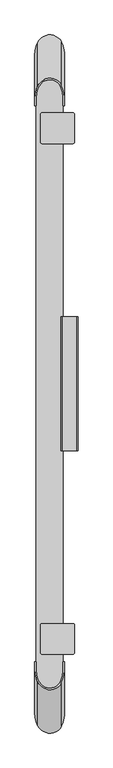
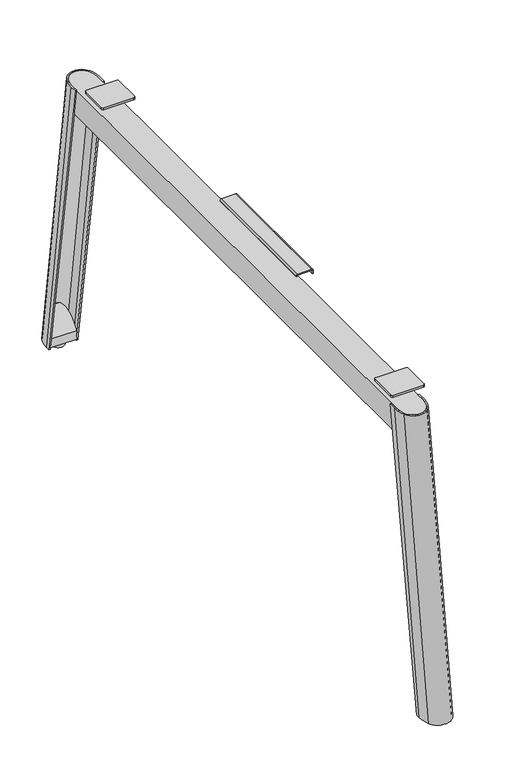
"""IFC4 building model written with IfcOpenShell, lengths in millimetres: furniture geometry."""

import ifcopenshell
import ifcopenshell.guid

model = None  # the IFC model being written
_history = None  # IfcOwnerHistory: only IFC2X3 demands one
_inside = {}  # id of a spatial element -> (the spatial element, [elements in it])
_under = {}  # id of a project, library or spatial element -> (it, [spatial elements below it])
_declared = {}  # id of a project -> (the project, [libraries it declares])
_typed = {}  # id of a type object -> (the type object, [elements of that type])
_made_of = {}  # id of a material, layer set ... -> (it, [elements and type objects made of it])


def new_model(schema):
    """Start an empty IFC model of exactly this schema.

    Asked for "IFC4X3", IfcOpenShell would pick the latest addendum, in which some entities
    have other attributes; the version numbers below select the first issue.
    IFC2X3 requires an IfcOwnerHistory on every rooted entity: one is made here for all.
    """
    global model, _history
    if schema == "IFC4X3":
        model = ifcopenshell.file(schema_version=(4, 3, 0, 0))
    else:
        model = ifcopenshell.file(schema=schema)
    _inside.clear()
    _under.clear()
    _declared.clear()
    _typed.clear()
    _made_of.clear()
    _history = None
    if model.schema == "IFC2X3":
        org = make("IfcOrganization", Name="unknown")
        user = make(
            "IfcPersonAndOrganization",
            ThePerson=make("IfcPerson", FamilyName="unknown"),
            TheOrganization=org,
        )
        app = make(
            "IfcApplication",
            ApplicationDeveloper=org,
            Version="unknown",
            ApplicationFullName="unknown",
            ApplicationIdentifier="unknown",
        )
        _history = make(
            "IfcOwnerHistory",
            OwningUser=user,
            OwningApplication=app,
            ChangeAction="ADDED",
            CreationDate=0,
        )
    return model


def make(cls, **values):
    """One entity of the class cls with the attributes given. An attribute that is None is left unset."""
    return model.create_entity(
        cls, **{name: value for name, value in values.items() if value is not None}
    )


def rooted(cls, **values):
    """An entity with a GlobalId (a new one), such as an element, a storey or a relation."""
    return make(cls, GlobalId=ifcopenshell.guid.new(), OwnerHistory=_history, **values)


def si_unit(unit_type, name, prefix=None):
    """IfcSIUnit, for example si_unit("LENGTHUNIT", "METRE", prefix="MILLI")."""
    return make("IfcSIUnit", UnitType=unit_type, Prefix=prefix, Name=name)


def assignment(units):
    """IfcUnitAssignment: the units of a project."""
    return None if units is None else make("IfcUnitAssignment", Units=units)


def point(xyz):
    """IfcCartesianPoint."""
    return None if xyz is None else make("IfcCartesianPoint", Coordinates=xyz)


def direction(xyz):
    """IfcDirection."""
    return None if xyz is None else make("IfcDirection", DirectionRatios=xyz)


def frame(location, z_axis=None, x_axis=None):
    """IfcAxis2Placement3D, a coordinate frame: its origin and axes. An axis left out is left unset."""
    return make(
        "IfcAxis2Placement3D",
        Location=point(location),
        Axis=direction(z_axis),
        RefDirection=direction(x_axis),
    )


def frame_2d(location, x_axis=None):
    """IfcAxis2Placement2D, a coordinate frame in the plane: its origin and x axis."""
    return make(
        "IfcAxis2Placement2D", Location=point(location), RefDirection=direction(x_axis)
    )


def origin():
    """The frame at (0, 0, 0) with its axes left unset."""
    return frame((0.0, 0.0, 0.0))


def place(relative_to, where):
    """IfcLocalPlacement: puts the frame where relative to a parent placement (None: the world)."""
    return make(
        "IfcLocalPlacement", PlacementRelTo=relative_to, RelativePlacement=where
    )


def context(
    kind, dimensions, precision=None, world=None, true_north=None, identifier=None
):
    """IfcGeometricRepresentationContext, for example the 3D "Model" context."""
    return make(
        "IfcGeometricRepresentationContext",
        ContextIdentifier=identifier,
        ContextType=kind,
        CoordinateSpaceDimension=dimensions,
        Precision=precision,
        WorldCoordinateSystem=world,
        TrueNorth=true_north,
    )


def project(units=None, contexts=None):
    """IfcProject with its units and contexts."""
    return rooted(
        "IfcProject",
        Name="project",
        RepresentationContexts=contexts,
        UnitsInContext=assignment(units),
    )


def spatial(cls, under=None, at=None, **own):
    """A site, building, storey or space (cls), placed at a placement, below another one or the project."""
    s = rooted(cls, ObjectPlacement=at, **own)
    if under is not None:
        _under.setdefault(under.id(), (under, []))[1].append(s)
    return s


def polyline(points):
    """IfcPolyline through the points."""
    return make("IfcPolyline", Points=[point(p) for p in points])


def circle_curve(where, radius):
    """IfcCircle in the frame where."""
    return make("IfcCircle", Position=where, Radius=radius)


def ellipse_curve(where, semi_axis1, semi_axis2):
    """IfcEllipse in the frame where."""
    return make(
        "IfcEllipse", Position=where, SemiAxis1=semi_axis1, SemiAxis2=semi_axis2
    )


def trimmed(basis, trim1, trim2, sense, master):
    """IfcTrimmedCurve: the piece of a basis curve between two trims."""
    return make(
        "IfcTrimmedCurve",
        BasisCurve=basis,
        Trim1=trim1,
        Trim2=trim2,
        SenseAgreement=sense,
        MasterRepresentation=master,
    )


def segment(curve, same_sense, transition):
    """IfcCompositeCurveSegment."""
    return make(
        "IfcCompositeCurveSegment",
        Transition=transition,
        SameSense=same_sense,
        ParentCurve=curve,
    )


def composite_curve(segments, self_intersect=None):
    """IfcCompositeCurve: segments joined end to end."""
    return make("IfcCompositeCurve", Segments=segments, SelfIntersect=self_intersect)


def outline(outer, holes=None, kind="AREA"):
    """IfcArbitraryClosedProfileDef: a profile drawn as a closed curve; with holes, ...WithVoids."""
    if holes is None:
        return make("IfcArbitraryClosedProfileDef", ProfileType=kind, OuterCurve=outer)
    return make(
        "IfcArbitraryProfileDefWithVoids",
        ProfileType=kind,
        OuterCurve=outer,
        InnerCurves=holes,
    )


def extrude(swept, where, along, depth):
    """IfcExtrudedAreaSolid: the profile swept, set in the frame where, extruded along a direction by depth."""
    return make(
        "IfcExtrudedAreaSolid",
        SweptArea=swept,
        Position=where,
        ExtrudedDirection=direction(along),
        Depth=depth,
    )


def shape(context_of_items, identifier, shape_type, items):
    """IfcShapeRepresentation: the items that make up one representation, for example the "Body"."""
    return make(
        "IfcShapeRepresentation",
        ContextOfItems=context_of_items,
        RepresentationIdentifier=identifier,
        RepresentationType=shape_type,
        Items=items,
    )


def source(mapping_origin, context_of_items, identifier, shape_type, items):
    """IfcRepresentationMap: a shape defined once, which mapped items show again and again."""
    return make(
        "IfcRepresentationMap",
        MappingOrigin=mapping_origin,
        MappedRepresentation=shape(context_of_items, identifier, shape_type, items),
    )


def transform(
    local_origin,
    x_axis=None,
    y_axis=None,
    z_axis=None,
    scale=None,
    scale2=None,
    scale3=None,
    uniform=True,
):
    """IfcCartesianTransformationOperator3D, or its non-uniform kind. x_axis, y_axis, z_axis: its Axis1, 2, 3."""
    if uniform:
        return make(
            "IfcCartesianTransformationOperator3D",
            Axis1=direction(x_axis),
            Axis2=direction(y_axis),
            LocalOrigin=point(local_origin),
            Scale=scale,
            Axis3=direction(z_axis),
        )
    return make(
        "IfcCartesianTransformationOperator3DnonUniform",
        Axis1=direction(x_axis),
        Axis2=direction(y_axis),
        LocalOrigin=point(local_origin),
        Scale=scale,
        Axis3=direction(z_axis),
        Scale2=scale2,
        Scale3=scale3,
    )


def mapped(mapping_source, mapping_target):
    """IfcMappedItem: shows the shape of a source again, moved by a transform."""
    return make(
        "IfcMappedItem", MappingSource=mapping_source, MappingTarget=mapping_target
    )


def made_of(thing, what):
    """Note that an element or type object is made of a material, layer set ...; save() writes the relation."""
    if what is not None:
        _made_of.setdefault(what.id(), (what, []))[1].append(thing)
    return thing


def element(
    cls,
    number,
    at=None,
    inside=None,
    cuts=None,
    type_object=None,
    material=None,
    context=None,
    identifier="Body",
    shape_type=None,
    held_by="IfcProductDefinitionShape",
    body=None,
    shapes=None,
    **own,
):
    """One element of the class cls, such as IfcWall. Its Tag is "e" and its number.

    at: its placement. inside: the storey or other place that contains it. cuts: it is an
    opening in that element (IfcRelVoidsElement). A single representation is given by context,
    identifier, shape_type and body (its items); several are given by shapes. held_by: the class
    of the entity that holds the representations. save() writes the other relations.
    """
    e = rooted(cls, Tag="e%d" % number, ObjectPlacement=at, **own)
    if body is not None:
        shapes = [shape(context, identifier, shape_type, body)]
    if shapes is not None:
        e.Representation = make(held_by, Representations=shapes)
    if inside is not None:
        _inside.setdefault(inside.id(), (inside, []))[1].append(e)
    if cuts is not None:
        rooted(
            "IfcRelVoidsElement", RelatingBuildingElement=cuts, RelatedOpeningElement=e
        )
    if type_object is not None:
        _typed.setdefault(type_object.id(), (type_object, []))[1].append(e)
    return made_of(e, material)


def aggregate(whole, parts):
    """IfcRelAggregates: a whole, such as a stair, and the parts it consists of."""
    return rooted("IfcRelAggregates", RelatingObject=whole, RelatedObjects=parts)


def save(model, path):
    """Write the relations noted so far, then the file.

    IfcRelAggregates (storeys below a building ...), IfcRelContainedInSpatialStructure (elements
    in a storey), IfcRelDefinesByType, IfcRelAssociatesMaterial and IfcRelDeclares: one each for
    every whole, place, type object, material and project.
    """
    for whole, parts in _under.values():
        aggregate(whole, parts)
    for where, things in _inside.values():
        rooted(
            "IfcRelContainedInSpatialStructure",
            RelatedElements=things,
            RelatingStructure=where,
        )
    for kind, things in _typed.values():
        rooted("IfcRelDefinesByType", RelatedObjects=things, RelatingType=kind)
    for what, things in _made_of.values():
        rooted("IfcRelAssociatesMaterial", RelatedObjects=things, RelatingMaterial=what)
    for by, libraries in _declared.values():
        rooted("IfcRelDeclares", RelatingContext=by, RelatedDefinitions=libraries)
    model.write(path)


def plane_surface(at):
    """IfcPlane: the flat surface through the origin of the frame at, square to its z axis."""
    return make("IfcPlane", Position=at)


def cylinder_surface(at, radius):
    """IfcCylindricalSurface: all points at the distance radius from the z axis of the frame at."""
    return make("IfcCylindricalSurface", Position=at, Radius=radius)


def extruded_surface(curve, direction_of_extrusion, depth):
    """IfcSurfaceOfLinearExtrusion: the curve pushed along a direction by depth."""
    return make(
        "IfcSurfaceOfLinearExtrusion",
        SweptCurve=make("IfcArbitraryOpenProfileDef", ProfileType="CURVE", Curve=curve),
        ExtrudedDirection=direction(direction_of_extrusion),
        Depth=depth,
    )


def advanced_brep(points, edges, surfaces, faces):
    """IfcAdvancedBrep: a solid bounded by faces that lie on surfaces and meet in shared edges.

    An edge is (start, end): straight between two places in points (the first is 0);
    or (start, end, curve); or (start, end, curve, False) where it runs against its curve.
    A face is (place in surfaces, loops), or (place, loops, False) where it looks against
    its surface's normal. A loop lists edges by number (the first is 1), with a minus sign
    where the edge is run from its end to its start. The first loop is the outer one.
    """
    corners = [point(p) for p in points]
    vertices = [make("IfcVertexPoint", VertexGeometry=c) for c in corners]
    made = []
    for start, end, *more in edges:
        made.append(
            make(
                "IfcEdgeCurve",
                EdgeStart=vertices[start],
                EdgeEnd=vertices[end],
                EdgeGeometry=more[0] if more else make("IfcPolyline", Points=[corners[start], corners[end]]),
                SameSense=more[1] if len(more) > 1 else True,
            )
        )
    hull = []
    for where, loops, *sense in faces:
        bounds = []
        for j, loop in enumerate(loops):
            ring = [make("IfcOrientedEdge", EdgeElement=made[abs(k) - 1], Orientation=k > 0) for k in loop]
            bounds.append(
                make(
                    "IfcFaceOuterBound" if j == 0 else "IfcFaceBound",
                    Bound=make("IfcEdgeLoop", EdgeList=ring),
                    Orientation=True,
                )
            )
        hull.append(make("IfcAdvancedFace", Bounds=bounds, FaceSurface=surfaces[where], SameSense=sense[0] if sense else True))
    return make("IfcAdvancedBrep", Outer=make("IfcClosedShell", CfsFaces=hull))


def furniture_0879308c(model_context):
    return source(origin(), model_context, "Body", "SolidModel", [
        advanced_brep(
        [(6.0, -694.5312811, 9.9999392), (9.4999998, -694.5312811, 9.9999392), (9.4999998, -704.4565799, 9.9999392), (13.8271404, -727.926268, 9.9999392), (64.8959051, -728.2377121, 9.9999392), (68.8203133, -707.657064, 9.9999392), (68.8203133, -694.5312811, 9.9999392), (72.000002, -694.5312811, 9.9999392), (72.000002, -707.657064, 9.9999392), (65.9903208, -732.5103717, 9.9999392), (12.3278754, -731.9278157, 9.9999392), (6.0, -704.4565799, 9.9999392), (6.0, -591.0025911, 689.9999617), (6.0, -608.2065799, 689.9999617), (12.3278754, -635.6778157, 689.9999617), (65.9903208, -636.2603717, 689.9999617), (72.000002, -611.407064, 689.9999617), (72.000002, -591.0025911, 689.9999617), (68.8203133, -591.0025911, 689.9999617), (68.8203133, -611.407064, 689.9999617), (64.8959051, -631.9877121, 689.9999617), (13.8271404, -631.676268, 689.9999617), (9.4999998, -608.2065799, 689.9999617), (9.4999998, -591.0025911, 689.9999617)],
        [
            (0, 1),
            (1, 2),
            (2, 3, circle_curve(frame((75.3114051, -704.4565799, 9.9999392), z_axis=(0.0, 0.0, 1.0), x_axis=(1.0, 0.0, 0.0)), 65.8114053)),
            (3, 4, circle_curve(frame((39.4220553, -718.1562126, 9.9999392), z_axis=(0.0, 0.0, 1.0), x_axis=(1.0, 0.0, 0.0)), 27.3962343)),
            (4, 5, circle_curve(frame((12.8928932, -707.657064, 9.9999392), z_axis=(0.0, 0.0, 1.0), x_axis=(1.0, 0.0, 0.0)), 55.9274201)),
            (5, 6),
            (6, 7),
            (7, 8),
            (8, 9, circle_curve(frame((17.6041738, -707.657064, 9.9999392), z_axis=(0.0, 0.0, -1.0), x_axis=(1.0, 0.0, 0.0)), 54.3958282)),
            (9, 10, circle_curve(frame((39.3047374, -718.8034523, 9.9999392), z_axis=(0.0, 0.0, -1.0), x_axis=(1.0, 0.0, 0.0)), 30.0)),
            (10, 11, circle_curve(frame((68.794442, -704.4565799, 9.9999392), z_axis=(0.0, 0.0, -1.0), x_axis=(1.0, 0.0, 0.0)), 62.794442)),
            (11, 0),
            (12, 13),
            (13, 14, circle_curve(frame((68.794442, -608.2065799, 689.9999617), z_axis=(0.0, 0.0, 1.0), x_axis=(1.0, 0.0, 0.0)), 62.794442)),
            (14, 15, circle_curve(frame((39.3047374, -622.5534523, 689.9999617), z_axis=(0.0, 0.0, 1.0), x_axis=(1.0, 0.0, 0.0)), 30.0)),
            (15, 16, circle_curve(frame((17.6041738, -611.407064, 689.9999617), z_axis=(0.0, 0.0, 1.0), x_axis=(1.0, 0.0, 0.0)), 54.3958282)),
            (16, 17),
            (17, 18),
            (18, 19),
            (19, 20, circle_curve(frame((12.8928932, -611.407064, 689.9999617), z_axis=(0.0, 0.0, -1.0), x_axis=(1.0, 0.0, 0.0)), 55.9274201)),
            (20, 21, circle_curve(frame((39.4220553, -621.9062126, 689.9999617), z_axis=(0.0, 0.0, -1.0), x_axis=(1.0, 0.0, 0.0)), 27.3962343)),
            (21, 22, circle_curve(frame((75.3114051, -608.2065799, 689.9999617), z_axis=(0.0, 0.0, -1.0), x_axis=(1.0, 0.0, 0.0)), 65.8114053)),
            (22, 23),
            (23, 12),
            (22, 2),
            (1, 23),
            (21, 3),
            (20, 4),
            (19, 5),
            (18, 6),
            (16, 8),
            (7, 17),
            (15, 9),
            (14, 10),
            (13, 11),
            (12, 0),
        ],
        [
            plane_surface(frame((39.140156, -710.246215, 9.9999392), z_axis=(0.0, 0.0, -1.0), x_axis=(0.0, 1.0, 0.0))),
            plane_surface(frame((39.140156, -611.569985, 689.9999617), z_axis=(0.0, 0.0, 1.0), x_axis=(0.0, 1.0, 0.0))),
            plane_surface(frame((9.4999998, -599.6045855, 689.9999617), z_axis=(1.0, 0.0, 0.0), x_axis=(0.0, 1.0, 0.0))),
            extruded_surface(trimmed(circle_curve(frame((75.3114051, -704.4565799, 9.9999392), z_axis=(0.0, 0.0, -1.0), x_axis=(1.0, 0.0, 0.0)), 65.8114053), [point((13.8271404, -727.926268, 9.9999392))], [point((9.4999998, -704.4565799, 9.9999392))], True, "CARTESIAN"), (0.0, 96.25, 680.0000225), 686.778052284725),
            extruded_surface(trimmed(circle_curve(frame((39.4220553, -718.1562126, 9.9999392), z_axis=(0.0, 0.0, -1.0), x_axis=(1.0, 0.0, 0.0)), 27.3962343), [point((64.8959051, -728.2377121, 9.9999392))], [point((13.8271404, -727.926268, 9.9999392))], True, "CARTESIAN"), (0.0, 96.25, 680.0000225), 686.778052284725),
            extruded_surface(trimmed(circle_curve(frame((12.8928932, -707.657064, 9.9999392), z_axis=(0.0, 0.0, -1.0), x_axis=(1.0, 0.0, 0.0)), 55.9274201), [point((68.8203133, -707.657064, 9.9999392))], [point((64.8959051, -728.2377121, 9.9999392))], True, "CARTESIAN"), (0.0, 96.25, 680.0000225), 686.778052284725),
            plane_surface(frame((68.8203133, -601.2048276, 689.9999617), z_axis=(-1.0, 0.0, 0.0), x_axis=(0.0, -1.0, 0.0))),
            plane_surface(frame((72.000002, -601.2048276, 689.9999617), z_axis=(1.0, 0.0, 0.0), x_axis=(0.0, 1.0, 0.0))),
            extruded_surface(trimmed(circle_curve(frame((17.6041738, -707.657064, 9.9999392), z_axis=(0.0, 0.0, 1.0), x_axis=(1.0, 0.0, 0.0)), 54.3958282), [point((65.9903208, -732.5103717, 9.9999392))], [point((72.000002, -707.657064, 9.9999392))], True, "CARTESIAN"), (0.0, 96.25, 680.0000225), 686.778052284725),
            extruded_surface(trimmed(circle_curve(frame((39.3047374, -718.8034523, 9.9999392), z_axis=(0.0, 0.0, 1.0), x_axis=(1.0, 0.0, 0.0)), 30.0), [point((12.3278754, -731.9278157, 9.9999392))], [point((65.9903208, -732.5103717, 9.9999392))], True, "CARTESIAN"), (0.0, 96.25, 680.0000225), 686.778052284725),
            extruded_surface(trimmed(circle_curve(frame((68.794442, -704.4565799, 9.9999392), z_axis=(0.0, 0.0, 1.0), x_axis=(1.0, 0.0, 0.0)), 62.794442), [point((6.0, -704.4565799, 9.9999392))], [point((12.3278754, -731.9278157, 9.9999392))], True, "CARTESIAN"), (0.0, 96.25, 680.0000225), 686.778052284725),
            plane_surface(frame((6.0, -599.6045855, 689.9999617), z_axis=(-1.0, 0.0, 0.0), x_axis=(0.0, -1.0, 0.0))),
            plane_surface(frame((70.4101576, -591.0025911, 689.9999617), z_axis=(0.0, 0.9886079312598013, -0.15051364805297882), x_axis=(-1.0, 0.0, 0.0))),
            plane_surface(frame((7.7499999, -591.0025911, 689.9999617), z_axis=(0.0, 0.9886079312598013, -0.15051364805297882), x_axis=(-1.0, 0.0, 0.0))),
        ],
        [
            (0, [[1, 2, 3, 4, 5, 6, 7, 8, 9, 10, 11, 12]]),
            (1, [[13, 14, 15, 16, 17, 18, 19, 20, 21, 22, 23, 24]]),
            (2, [[25, -2, 26, -23]]),
            (3, [[27, -3, -25, -22]]),
            (4, [[28, -4, -27, -21]]),
            (5, [[29, -5, -28, -20]]),
            (6, [[30, -6, -29, -19]]),
            (7, [[31, -8, 32, -17]]),
            (8, [[33, -9, -31, -16]]),
            (9, [[34, -10, -33, -15]]),
            (10, [[35, -11, -34, -14]]),
            (11, [[36, -12, -35, -13]]),
            (12, [[-32, -7, -30, -18]]),
            (13, [[-26, -1, -36, -24]]),
        ],
    ),
        advanced_brep(
        [(54.0138053, -731.4424459, 83.9457941), (24.3065078, -731.4424459, 83.9457941), (68.8203133, -694.5312811, 13.8007201), (68.8203133, -705.7696194, 13.8007201), (9.4999998, -705.7696194, 13.8007201), (9.4999998, -694.5312811, 13.8007201), (68.8203133, -694.5312811, 34.9630241), (68.8203133, -705.7696194, 49.8768028), (9.4999998, -705.7696194, 49.8768028), (9.4999998, -694.5312811, 34.9630241)],
        [
            (0, 1),
            (1, 0, circle_curve(frame((39.1601565, -705.7696194, 83.9457941), z_axis=(0.0, 0.0, 1.0), x_axis=(1.0, 0.0, 0.0)), 29.6601567)),
            (2, 3),
            (3, 4, circle_curve(frame((39.1601565, -705.7696194, 13.8007201), z_axis=(0.0, 0.0, -1.0), x_axis=(1.0, 0.0, 0.0)), 29.6601567)),
            (4, 5),
            (5, 2),
            (2, 6),
            (6, 7),
            (7, 3),
            (7, 0, ellipse_curve(frame((39.1601565, -705.7696194, 49.8768028), z_axis=(0.0, -0.7986355100473108, -0.6018150231520244), x_axis=(0.0, -0.6018150231520243, 0.7986355100473108)), 49.284507, 29.6601567)),
            (1, 8, ellipse_curve(frame((39.1601565, -705.7696194, 49.8768028), z_axis=(0.0, -0.7986355100473108, -0.6018150231520244), x_axis=(0.0, -0.6018150231520243, 0.7986355100473108)), 49.284507, 29.6601567)),
            (8, 4),
            (8, 9),
            (9, 5),
            (9, 6),
        ],
        [
            plane_surface(frame((9.4999998, 743.5060312, 83.9457941), z_axis=(0.0, 0.0, 1.0), x_axis=(-1.0, 0.0, 0.0))),
            plane_surface(frame((9.4999998, 743.5060312, 13.8007201), z_axis=(0.0, 0.0, -1.0), x_axis=(1.0, 0.0, 0.0))),
            plane_surface(frame((68.8203133, -694.5312811, 83.9457941), z_axis=(1.0, 0.0, 0.0), x_axis=(0.0, 0.0, -1.0))),
            cylinder_surface(frame((39.1601565, -705.7696194, 0.0), z_axis=(0.0, 0.0, 1.0), x_axis=(1.0, 0.0, 0.0)), 29.6601567),
            plane_surface(frame((9.4999998, -705.7696194, 83.9457941), z_axis=(-1.0, 0.0, 0.0), x_axis=(0.0, 0.0, -1.0))),
            plane_surface(frame((9.4999998, -694.5312811, 83.9457941), z_axis=(0.0, 1.0, 0.0), x_axis=(0.0, 0.0, -1.0))),
            plane_surface(frame((78.517827, -686.8291209, 24.7419123), z_axis=(0.0, 0.7986355100473108, 0.6018150231520244), x_axis=(-1.0, 0.0, 0.0))),
        ],
        [
            (0, [[1, 2]]),
            (1, [[3, 4, 5, 6]]),
            (2, [[7, 8, 9, -3]]),
            (3, [[-9, 10, -2, 11, 12, -4]]),
            (4, [[-12, 13, 14, -5]]),
            (5, [[-14, 15, -7, -6]]),
            (6, [[-10, -8, -15, -13, -11, -1]]),
        ],
    ),
        advanced_brep(
        [(25.4867952, 781.4424459, 83.9457941), (52.8335179, 781.4424459, 83.9457941), (68.8203133, 743.5060312, 13.8007201), (9.4999998, 743.5060312, 13.8007201), (9.4999998, 755.1220339, 13.8007201), (68.8203133, 755.1220339, 13.8007201), (68.8203133, 743.5060312, 33.6024715), (9.4999998, 743.5060312, 33.6024715), (9.4999998, 755.1220339, 49.0174277), (68.8203133, 755.1220339, 49.0174277)],
        [
            (0, 1),
            (1, 0, circle_curve(frame((39.1601565, 755.1220339, 83.9457941), z_axis=(0.0, 0.0, 1.0), x_axis=(1.0, 0.0, 0.0)), 29.6601567)),
            (2, 3),
            (3, 4),
            (4, 5, circle_curve(frame((39.1601565, 755.1220339, 13.8007201), z_axis=(0.0, 0.0, -1.0), x_axis=(1.0, 0.0, 0.0)), 29.6601567)),
            (5, 2),
            (2, 6),
            (6, 7),
            (7, 3),
            (7, 8),
            (8, 4),
            (8, 0, ellipse_curve(frame((39.1601565, 755.1220339, 49.0174277), z_axis=(0.0, 0.7986355100473068, -0.6018150231520298), x_axis=(0.0, 0.60181502315203, 0.7986355100473068)), 49.284507, 29.6601567)),
            (1, 9, ellipse_curve(frame((39.1601565, 755.1220339, 49.0174277), z_axis=(0.0, 0.7986355100473068, -0.6018150231520298), x_axis=(0.0, 0.60181502315203, 0.7986355100473068)), 49.284507, 29.6601567)),
            (9, 5),
            (9, 6),
        ],
        [
            plane_surface(frame((9.4999998, 743.5060312, 83.9457941), z_axis=(0.0, 0.0, 1.0), x_axis=(-1.0, 0.0, 0.0))),
            plane_surface(frame((9.4999998, 743.5060312, 13.8007201), z_axis=(0.0, 0.0, -1.0), x_axis=(1.0, 0.0, 0.0))),
            plane_surface(frame((68.8203133, 743.5060312, 83.9457941), z_axis=(0.0, -1.0, 0.0), x_axis=(0.0, 0.0, -1.0))),
            plane_surface(frame((9.4999998, 743.5060312, 83.9457941), z_axis=(-1.0, 0.0, 0.0), x_axis=(0.0, 0.0, -1.0))),
            cylinder_surface(frame((39.1601565, 755.1220339, 13.8007201), z_axis=(0.0, 0.0, 1.0), x_axis=(1.0, 0.0, 0.0)), 29.6601567),
            plane_surface(frame((68.8203133, 755.1220339, 83.9457941), z_axis=(1.0, 0.0, 0.0), x_axis=(0.0, 0.0, -1.0))),
            plane_surface(frame((78.517827, 784.9743228, 88.6327531), z_axis=(0.0, -0.7986355100473068, 0.6018150231520298), x_axis=(-1.0, 0.0, 0.0))),
        ],
        [
            (0, [[1, 2]]),
            (1, [[3, 4, 5, 6]]),
            (2, [[7, 8, 9, -3]]),
            (3, [[-9, 10, 11, -4]]),
            (4, [[-11, 12, -2, 13, 14, -5]]),
            (5, [[-14, 15, -7, -6]]),
            (6, [[-12, -10, -8, -15, -13, -1]]),
        ],
    ),
        advanced_brep(
        [(39.0898793, 765.95, 0.0), (53.2969699, 765.95, 0.0), (24.8827886, 765.95, 0.0), (53.2969699, 765.95, 8.4999997), (24.8827886, 765.95, 8.4999997), (44.1143182, 765.95, 8.4999997), (34.0654403, 765.95, 8.4999997), (44.1143182, 765.95, 16.425781), (34.0654403, 765.95, 16.425781), (39.0898793, 765.95, 16.425781)],
        [
            (0, 1),
            (1, 2, circle_curve(frame((39.0898793, 765.95, 0.0), z_axis=(0.0, 0.0, -1.0), x_axis=(-1.0, 0.0, 0.0)), 14.2070907)),
            (2, 0),
            (2, 1, circle_curve(frame((39.0898793, 765.95, 0.0), z_axis=(0.0, 0.0, -1.0), x_axis=(-1.0, 0.0, 0.0)), 14.2070907)),
            (1, 3),
            (3, 4, circle_curve(frame((39.0898793, 765.95, 8.4999997), z_axis=(0.0, 0.0, -1.0), x_axis=(-1.0, 0.0, 0.0)), 14.2070907)),
            (4, 2),
            (4, 3, circle_curve(frame((39.0898793, 765.95, 8.4999997), z_axis=(0.0, 0.0, -1.0), x_axis=(-1.0, 0.0, 0.0)), 14.2070907)),
            (3, 5),
            (5, 6, circle_curve(frame((39.0898793, 765.95, 8.4999997), z_axis=(0.0, 0.0, -1.0), x_axis=(-1.0, 0.0, 0.0)), 5.024439)),
            (6, 4),
            (6, 5, circle_curve(frame((39.0898793, 765.95, 8.4999997), z_axis=(0.0, 0.0, -1.0), x_axis=(-1.0, 0.0, 0.0)), 5.024439)),
            (5, 7),
            (7, 8, circle_curve(frame((39.0898793, 765.95, 16.425781), z_axis=(0.0, 0.0, -1.0), x_axis=(-1.0, 0.0, 0.0)), 5.024439)),
            (8, 6),
            (8, 7, circle_curve(frame((39.0898793, 765.95, 16.425781), z_axis=(0.0, 0.0, -1.0), x_axis=(-1.0, 0.0, 0.0)), 5.024439)),
            (7, 9),
            (9, 8),
        ],
        [
            plane_surface(frame((39.0898793, 765.95, 0.0), z_axis=(0.0, 0.0, -1.0), x_axis=(-1.0, 0.0, 0.0))),
            cylinder_surface(frame((39.0898793, 765.95, 16.425781), z_axis=(0.0, 0.0, -1.0), x_axis=(-1.0, 0.0, 0.0)), 14.2070907),
            plane_surface(frame((39.0898793, 765.95, 8.4999997), z_axis=(0.0, 0.0, 1.0), x_axis=(-1.0, 0.0, 0.0))),
            cylinder_surface(frame((39.0898793, 765.95, 16.425781), z_axis=(0.0, 0.0, -1.0), x_axis=(-1.0, 0.0, 0.0)), 5.024439),
            plane_surface(frame((39.0898793, 765.95, 16.425781), z_axis=(0.0, 0.0, 1.0), x_axis=(-1.0, 0.0, 0.0))),
        ],
        [
            (0, [[1, 2, 3]]),
            (0, [[-3, 4, -1]]),
            (1, [[5, 6, 7, -2]]),
            (1, [[-7, 8, -5, -4]]),
            (2, [[9, 10, 11, -6]]),
            (2, [[-11, 12, -9, -8]]),
            (3, [[13, 14, 15, -10]]),
            (3, [[-15, 16, -13, -12]]),
            (4, [[17, 18, -14]]),
            (4, [[-18, -17, -16]]),
        ],
    ),
        advanced_brep(
        [(53.2969699, -715.95, 0.0), (39.0898793, -715.95, 0.0), (24.8827886, -715.95, 0.0), (53.2969699, -715.95, 8.4999997), (24.8827886, -715.95, 8.4999997), (44.1143182, -715.95, 8.4999997), (34.0654403, -715.95, 8.4999997), (44.1143182, -715.95, 16.425781), (34.0654403, -715.95, 16.425781), (39.0898793, -715.95, 16.425781)],
        [
            (0, 1),
            (1, 2),
            (2, 0, circle_curve(frame((39.0898793, -715.95, 0.0), z_axis=(0.0, 0.0, -1.0), x_axis=(-1.0, 0.0, 0.0)), 14.2070907)),
            (0, 2, circle_curve(frame((39.0898793, -715.95, 0.0), z_axis=(0.0, 0.0, -1.0), x_axis=(-1.0, 0.0, 0.0)), 14.2070907)),
            (3, 0),
            (2, 4),
            (4, 3, circle_curve(frame((39.0898793, -715.95, 8.4999997), z_axis=(0.0, 0.0, -1.0), x_axis=(-1.0, 0.0, 0.0)), 14.2070907)),
            (3, 4, circle_curve(frame((39.0898793, -715.95, 8.4999997), z_axis=(0.0, 0.0, -1.0), x_axis=(-1.0, 0.0, 0.0)), 14.2070907)),
            (5, 3),
            (4, 6),
            (6, 5, circle_curve(frame((39.0898793, -715.95, 8.4999997), z_axis=(0.0, 0.0, -1.0), x_axis=(-1.0, 0.0, 0.0)), 5.024439)),
            (5, 6, circle_curve(frame((39.0898793, -715.95, 8.4999997), z_axis=(0.0, 0.0, -1.0), x_axis=(-1.0, 0.0, 0.0)), 5.024439)),
            (7, 5),
            (6, 8),
            (8, 7, circle_curve(frame((39.0898793, -715.95, 16.425781), z_axis=(0.0, 0.0, -1.0), x_axis=(-1.0, 0.0, 0.0)), 5.024439)),
            (7, 8, circle_curve(frame((39.0898793, -715.95, 16.425781), z_axis=(0.0, 0.0, -1.0), x_axis=(-1.0, 0.0, 0.0)), 5.024439)),
            (9, 7),
            (8, 9),
        ],
        [
            plane_surface(frame((39.0898793, -715.95, 0.0), z_axis=(0.0, 0.0, -1.0), x_axis=(-1.0, 0.0, 0.0))),
            cylinder_surface(frame((39.0898793, -715.95, 16.425781), z_axis=(0.0, 0.0, 1.0), x_axis=(-1.0, 0.0, 0.0)), 14.2070907),
            plane_surface(frame((39.0898793, -715.95, 8.4999997), z_axis=(0.0, 0.0, 1.0), x_axis=(-1.0, 0.0, 0.0))),
            cylinder_surface(frame((39.0898793, -715.95, 16.425781), z_axis=(0.0, 0.0, 1.0), x_axis=(-1.0, 0.0, 0.0)), 5.024439),
            plane_surface(frame((39.0898793, -715.95, 16.425781), z_axis=(0.0, 0.0, 1.0), x_axis=(-1.0, 0.0, 0.0))),
        ],
        [
            (0, [[1, 2, 3]]),
            (0, [[-2, -1, 4]]),
            (1, [[5, -3, 6, 7]]),
            (1, [[-6, -4, -5, 8]]),
            (2, [[9, -7, 10, 11]]),
            (2, [[-10, -8, -9, 12]]),
            (3, [[13, -11, 14, 15]]),
            (3, [[-14, -12, -13, 16]]),
            (4, [[17, -15, 18]]),
            (4, [[-18, -16, -17]]),
        ],
    ),
        advanced_brep(
        [(6.0, 744.5312811, 9.9999392), (6.0, 753.8089943, 9.9999392), (12.3278754, 781.2802302, 9.9999392), (65.9903208, 781.8627861, 9.9999392), (72.000002, 757.0094785, 9.9999392), (72.000002, 744.5312811, 9.9999392), (68.8203133, 744.5312811, 9.9999392), (68.8203133, 757.0094785, 9.9999392), (64.8959051, 777.5901265, 9.9999392), (13.8271404, 777.2786824, 9.9999392), (9.4999998, 753.8089943, 9.9999392), (9.4999998, 744.5312811, 9.9999392), (6.0, 641.0025911, 689.9999617), (9.4999998, 641.0025911, 689.9999617), (9.4999998, 657.5589943, 689.9999617), (13.8271404, 681.0286824, 689.9999617), (64.8959051, 681.3401265, 689.9999617), (68.8203133, 660.7594785, 689.9999617), (68.8203133, 641.0025911, 689.9999617), (72.000002, 641.0025911, 689.9999617), (72.000002, 660.7594785, 689.9999617), (65.9903208, 685.6127861, 689.9999617), (12.3278754, 685.0302302, 689.9999617), (6.0, 657.5589943, 689.9999617)],
        [
            (0, 1),
            (1, 2, circle_curve(frame((68.794442, 753.8089943, 9.9999392), z_axis=(0.0, 0.0, -1.0), x_axis=(1.0, 0.0, 0.0)), 62.794442)),
            (2, 3, circle_curve(frame((39.3047374, 768.1558668, 9.9999392), z_axis=(0.0, 0.0, -1.0), x_axis=(1.0, 0.0, 0.0)), 30.0)),
            (3, 4, circle_curve(frame((17.6041738, 757.0094785, 9.9999392), z_axis=(0.0, 0.0, -1.0), x_axis=(1.0, 0.0, 0.0)), 54.3958282)),
            (4, 5),
            (5, 6),
            (6, 7),
            (7, 8, circle_curve(frame((12.8928932, 757.0094785, 9.9999392), z_axis=(0.0, 0.0, 1.0), x_axis=(1.0, 0.0, 0.0)), 55.9274201)),
            (8, 9, circle_curve(frame((39.4220553, 767.5086271, 9.9999392), z_axis=(0.0, 0.0, 1.0), x_axis=(1.0, 0.0, 0.0)), 27.3962343)),
            (9, 10, circle_curve(frame((75.3114051, 753.8089943, 9.9999392), z_axis=(0.0, 0.0, 1.0), x_axis=(1.0, 0.0, 0.0)), 65.8114053)),
            (10, 11),
            (11, 0),
            (12, 13),
            (13, 14),
            (14, 15, circle_curve(frame((75.3114051, 657.5589943, 689.9999617), z_axis=(0.0, 0.0, -1.0), x_axis=(1.0, 0.0, 0.0)), 65.8114053)),
            (15, 16, circle_curve(frame((39.4220553, 671.2586271, 689.9999617), z_axis=(0.0, 0.0, -1.0), x_axis=(1.0, 0.0, 0.0)), 27.3962343)),
            (16, 17, circle_curve(frame((12.8928932, 660.7594785, 689.9999617), z_axis=(0.0, 0.0, -1.0), x_axis=(1.0, 0.0, 0.0)), 55.9274201)),
            (17, 18),
            (18, 19),
            (19, 20),
            (20, 21, circle_curve(frame((17.6041738, 660.7594785, 689.9999617), z_axis=(0.0, 0.0, 1.0), x_axis=(1.0, 0.0, 0.0)), 54.3958282)),
            (21, 22, circle_curve(frame((39.3047374, 671.9058668, 689.9999617), z_axis=(0.0, 0.0, 1.0), x_axis=(1.0, 0.0, 0.0)), 30.0)),
            (22, 23, circle_curve(frame((68.794442, 657.5589943, 689.9999617), z_axis=(0.0, 0.0, 1.0), x_axis=(1.0, 0.0, 0.0)), 62.794442)),
            (23, 12),
            (13, 11),
            (10, 14),
            (9, 15),
            (8, 16),
            (7, 17),
            (6, 18),
            (19, 5),
            (4, 20),
            (3, 21),
            (2, 22),
            (1, 23),
            (0, 12),
        ],
        [
            plane_surface(frame((39.140156, 759.8144913, 9.9999392), z_axis=(0.0, 0.0, -1.0), x_axis=(0.0, 1.0, 0.0))),
            plane_surface(frame((39.140156, 661.1382613, 689.9999617), z_axis=(0.0, 0.0, 1.0), x_axis=(0.0, 1.0, 0.0))),
            plane_surface(frame((9.4999998, 649.2807927, 689.9999617), z_axis=(1.0, 0.0, 0.0), x_axis=(0.0, 1.0, 0.0))),
            extruded_surface(trimmed(circle_curve(frame((75.3114051, 753.8089943, 9.9999392), z_axis=(0.0, 0.0, -1.0), x_axis=(1.0, 0.0, 0.0)), 65.8114053), [point((9.4999998, 753.8089943, 9.9999392))], [point((13.8271404, 777.2786824, 9.9999392))], True, "CARTESIAN"), (0.0, -96.25, 680.0000225), 686.778052284725),
            extruded_surface(trimmed(circle_curve(frame((39.4220553, 767.5086271, 9.9999392), z_axis=(0.0, 0.0, -1.0), x_axis=(1.0, 0.0, 0.0)), 27.3962343), [point((13.8271404, 777.2786824, 9.9999392))], [point((64.8959051, 777.5901265, 9.9999392))], True, "CARTESIAN"), (0.0, -96.25, 680.0000225), 686.778052284725),
            extruded_surface(trimmed(circle_curve(frame((12.8928932, 757.0094785, 9.9999392), z_axis=(0.0, 0.0, -1.0), x_axis=(1.0, 0.0, 0.0)), 55.9274201), [point((64.8959051, 777.5901265, 9.9999392))], [point((68.8203133, 757.0094785, 9.9999392))], True, "CARTESIAN"), (0.0, -96.25, 680.0000225), 686.778052284725),
            plane_surface(frame((68.8203133, 650.8810348, 689.9999617), z_axis=(-1.0, 0.0, 0.0), x_axis=(0.0, -1.0, 0.0))),
            plane_surface(frame((72.000002, 650.8810348, 689.9999617), z_axis=(1.0, 0.0, 0.0), x_axis=(0.0, 1.0, 0.0))),
            extruded_surface(trimmed(circle_curve(frame((17.6041738, 757.0094785, 9.9999392), z_axis=(0.0, 0.0, 1.0), x_axis=(1.0, 0.0, 0.0)), 54.3958282), [point((72.000002, 757.0094785, 9.9999392))], [point((65.9903208, 781.8627861, 9.9999392))], True, "CARTESIAN"), (0.0, -96.25, 680.0000225), 686.778052284725),
            extruded_surface(trimmed(circle_curve(frame((39.3047374, 768.1558668, 9.9999392), z_axis=(0.0, 0.0, 1.0), x_axis=(1.0, 0.0, 0.0)), 30.0), [point((65.9903208, 781.8627861, 9.9999392))], [point((12.3278754, 781.2802302, 9.9999392))], True, "CARTESIAN"), (0.0, -96.25, 680.0000225), 686.778052284725),
            extruded_surface(trimmed(circle_curve(frame((68.794442, 753.8089943, 9.9999392), z_axis=(0.0, 0.0, 1.0), x_axis=(1.0, 0.0, 0.0)), 62.794442), [point((12.3278754, 781.2802302, 9.9999392))], [point((6.0, 753.8089943, 9.9999392))], True, "CARTESIAN"), (0.0, -96.25, 680.0000225), 686.778052284725),
            plane_surface(frame((6.0, 649.2807927, 689.9999617), z_axis=(-1.0, 0.0, 0.0), x_axis=(0.0, -1.0, 0.0))),
            plane_surface(frame((70.4101576, 641.0025911, 689.9999617), z_axis=(0.0, -0.9886079312598016, -0.1505136480529775), x_axis=(1.0, 0.0, 0.0))),
            plane_surface(frame((7.7499999, 641.0025911, 689.9999617), z_axis=(0.0, -0.9886079312598016, -0.1505136480529775), x_axis=(1.0, 0.0, 0.0))),
        ],
        [
            (0, [[1, 2, 3, 4, 5, 6, 7, 8, 9, 10, 11, 12]]),
            (1, [[13, 14, 15, 16, 17, 18, 19, 20, 21, 22, 23, 24]]),
            (2, [[25, -11, 26, -14]]),
            (3, [[-26, -10, 27, -15]]),
            (4, [[-27, -9, 28, -16]]),
            (5, [[-28, -8, 29, -17]]),
            (6, [[-29, -7, 30, -18]]),
            (7, [[31, -5, 32, -20]]),
            (8, [[-32, -4, 33, -21]]),
            (9, [[-33, -3, 34, -22]]),
            (10, [[-34, -2, 35, -23]]),
            (11, [[-35, -1, 36, -24]]),
            (12, [[-30, -6, -31, -19]]),
            (13, [[-36, -12, -25, -13]]),
        ],
    ),
        extrude(outline(composite_curve([segment(polyline([(684.9999762, 101.9999968), (692.2639206, 101.9999968)]), True, "CONTINUOUS"), segment(trimmed(circle_curve(frame_2d((692.2639206, 99.2639174)), 2.7360794), [point((692.2639206, 101.9999968))], [point((695.0, 99.2639174))], False, "CARTESIAN"), True, "CONTINUOUS"), segment(polyline([(695.0, 99.2639174), (695.0, 67.4243659)]), True, "CONTINUOUS"), segment(trimmed(circle_curve(frame_2d((691.5717269, 67.4243659)), 3.4282731), [point((695.0, 67.4243659))], [point((691.5717269, 63.9960928))], False, "CARTESIAN"), True, "CONTINUOUS"), segment(polyline([(691.5717269, 63.9960928), (659.9999033, 63.9960928), (659.9999033, 66.0000003), (691.8821336, 66.0000003)]), True, "CONTINUOUS"), segment(trimmed(circle_curve(frame_2d((691.8821336, 67.1177906)), 1.1177903), [point((691.8821336, 66.0000003))], [point((692.9999239, 67.1177906))], True, "CARTESIAN"), True, "CONTINUOUS"), segment(polyline([(692.9999239, 67.1177906), (692.9999239, 99.3771905)]), True, "CONTINUOUS"), segment(trimmed(circle_curve(frame_2d((692.3771136, 99.3771905)), 0.6228103), [point((692.9999239, 99.3771905))], [point((692.3771136, 100.0000008))], True, "CARTESIAN"), True, "CONTINUOUS"), segment(polyline([(692.3771136, 100.0000008), (684.9999762, 100.0000008), (684.9999762, 101.9999968)]), True, "CONTINUOUS")], self_intersect=False)), frame((0.0, -123.7072561, 0.0), z_axis=(0.0, 1.0, 0.0), x_axis=(0.0, 0.0, 1.0)), (0.0, 0.0, 1.0), 297.4145122),
        extrude(outline(composite_curve([segment(polyline([(90.5088092, -574.0564343), (22.5039068, -574.0564343)]), True, "CONTINUOUS"), segment(trimmed(circle_curve(frame_2d((22.5039068, -570.5564343)), 3.5), [point((22.5039068, -574.0564343))], [point((19.0039068, -570.5564343))], False, "CARTESIAN"), True, "CONTINUOUS"), segment(polyline([(19.0039068, -570.5564343), (19.0039068, -509.5564425)]), True, "CONTINUOUS"), segment(trimmed(circle_curve(frame_2d((22.5039068, -509.5564425)), 3.5), [point((19.0039068, -509.5564425))], [point((22.5039068, -506.0564425))], False, "CARTESIAN"), True, "CONTINUOUS"), segment(polyline([(22.5039068, -506.0564425), (90.5039096, -506.0564425)]), True, "CONTINUOUS"), segment(trimmed(circle_curve(frame_2d((90.5039096, -509.5564425)), 3.5), [point((90.5039096, -506.0564425))], [point((94.0039096, -509.5564425))], False, "CARTESIAN"), True, "CONTINUOUS"), segment(polyline([(94.0039096, -509.5564425), (94.0039096, -570.5613339)]), True, "CONTINUOUS"), segment(trimmed(circle_curve(frame_2d((90.5088092, -570.5613339)), 3.4951004), [point((94.0039096, -570.5613339))], [point((90.5088092, -574.0564343))], False, "CARTESIAN"), True, "CONTINUOUS")], self_intersect=False)), frame((0.0, 0.0, 689.9999617), z_axis=(0.0, 0.0, 1.0), x_axis=(1.0, 0.0, 0.0)), (0.0, 0.0, 1.0), 5.0000383),
        extrude(outline(composite_curve([segment(trimmed(circle_curve(frame_2d((90.5088092, 621.8113339)), 3.4951004), [point((90.5088092, 625.3064343))], [point((94.0039096, 621.8113339))], False, "CARTESIAN"), True, "CONTINUOUS"), segment(polyline([(94.0039096, 621.8113339), (94.0039096, 560.8064425)]), True, "CONTINUOUS"), segment(trimmed(circle_curve(frame_2d((90.5039096, 560.8064425)), 3.5), [point((94.0039096, 560.8064425))], [point((90.5039096, 557.3064425))], False, "CARTESIAN"), True, "CONTINUOUS"), segment(polyline([(90.5039096, 557.3064425), (22.5039068, 557.3064425)]), True, "CONTINUOUS"), segment(trimmed(circle_curve(frame_2d((22.5039068, 560.8064425)), 3.5), [point((22.5039068, 557.3064425))], [point((19.0039068, 560.8064425))], False, "CARTESIAN"), True, "CONTINUOUS"), segment(polyline([(19.0039068, 560.8064425), (19.0039068, 621.8064343)]), True, "CONTINUOUS"), segment(trimmed(circle_curve(frame_2d((22.5039068, 621.8064343)), 3.5), [point((19.0039068, 621.8064343))], [point((22.5039068, 625.3064343))], False, "CARTESIAN"), True, "CONTINUOUS"), segment(polyline([(22.5039068, 625.3064343), (90.5088092, 625.3064343)]), True, "CONTINUOUS")], self_intersect=False)), frame((0.0, 0.0, 689.9999617), z_axis=(0.0, 0.0, 1.0), x_axis=(1.0, 0.0, 0.0)), (0.0, 0.0, 1.0), 5.0000383),
        extrude(outline(composite_curve([segment(polyline([(9.4999998, -620.017596), (9.4999998, 669.5794427)]), True, "CONTINUOUS"), segment(trimmed(circle_curve(frame_2d((39.1601565, 669.5794427)), 29.6601567), [point((9.4999998, 669.5794427))], [point((68.8203133, 669.5794427))], False, "CARTESIAN"), True, "CONTINUOUS"), segment(polyline([(68.8203133, 669.5794427), (68.8203133, -620.017596)]), True, "CONTINUOUS"), segment(trimmed(circle_curve(frame_2d((39.1601565, -620.017596)), 29.6601567), [point((68.8203133, -620.017596))], [point((9.4999998, -620.017596))], False, "CARTESIAN"), True, "CONTINUOUS")], self_intersect=False)), frame((0.0, 0.0, 629.5582913), z_axis=(0.0, 0.0, 1.0), x_axis=(1.0, 0.0, 0.0)), (0.0, 0.0, 1.0), 60.4416704),
    ])


if __name__ == "__main__":
    model = new_model("IFC4")
    model_context = context("Model", 3, world=origin())
    ifc_project = project(units=[si_unit("LENGTHUNIT", "METRE", prefix="MILLI")], contexts=[model_context])
    site = spatial("IfcSite", under=ifc_project)
    building = spatial("IfcBuilding", under=site)
    placement = place(None, origin())
    furniture_shape = furniture_0879308c(model_context)
    element("IfcFurniture", 1, at=placement, inside=building, context=model_context, shape_type="MappedRepresentation", body=[
        mapped(furniture_shape, transform((0.0, 0.0, 0.0), x_axis=(1.0, 0.0, 0.0), y_axis=(0.0, 1.0, 0.0), z_axis=(0.0, 0.0, 1.0))),
    ])
    save(model, "model.ifc")
